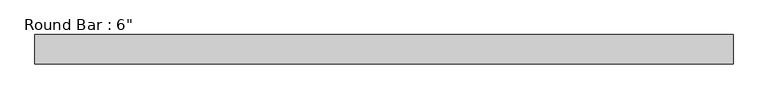
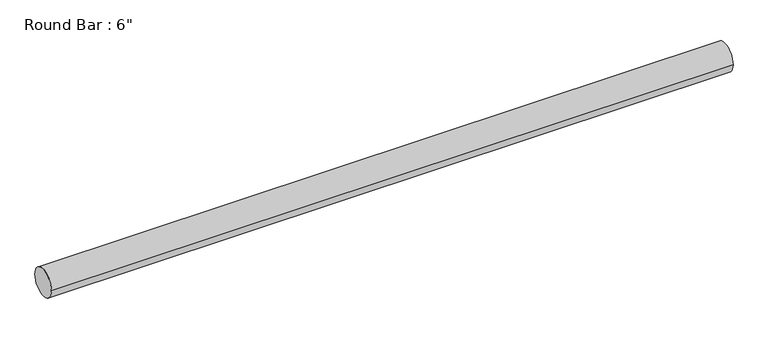
"""IFC4 building model written with IfcOpenShell, lengths in millimetres: beam geometry."""

from ifc_helpers import new_model, si_unit, point, frame, origin, origin_2d, place, context, project, spatial, circle_curve, trimmed, segment, composite_curve, outline, extrude, source, transform, mapped, element, save


def beam_22d032f2(model_context):
    return source(origin(), model_context, "Body", "SweptSolid", [
        extrude(outline(composite_curve([segment(trimmed(circle_curve(origin_2d(), 76.2), [point((-76.2, 0.0))], [point((76.2, 0.0))], False, "CARTESIAN"), True, "CONTINUOUS"), segment(trimmed(circle_curve(origin_2d(), 76.2), [point((76.2, 0.0))], [point((-76.2, 0.0))], False, "CARTESIAN"), True, "CONTINUOUS")], self_intersect=False)), frame((-1867.3698354, 0.0, 0.0), z_axis=(1.0, 0.0, 0.0), x_axis=(0.0, 1.0, 0.0)), (0.0, 0.0, 1.0), 3639.6495908),
    ])


if __name__ == "__main__":
    model = new_model("IFC4")
    model_context = context("Model", 3, world=origin())
    ifc_project = project(units=[si_unit("LENGTHUNIT", "METRE", prefix="MILLI")], contexts=[model_context])
    site = spatial("IfcSite", under=ifc_project)
    building = spatial("IfcBuilding", under=site)
    placement = place(None, origin())
    beam_shape = beam_22d032f2(model_context)
    element("IfcBeam", 1, ObjectType="Round Bar : 6\"", at=placement, inside=building, context=model_context, shape_type="MappedRepresentation", body=[
        mapped(beam_shape, transform((0.0, 0.0, 0.0), x_axis=(1.0, 0.0, 0.0), y_axis=(0.0, 1.0, 0.0), z_axis=(0.0, 0.0, 1.0))),
    ])
    save(model, "model.ifc")
